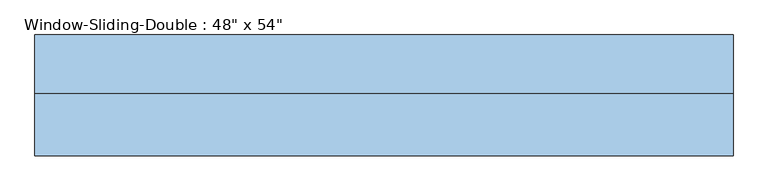
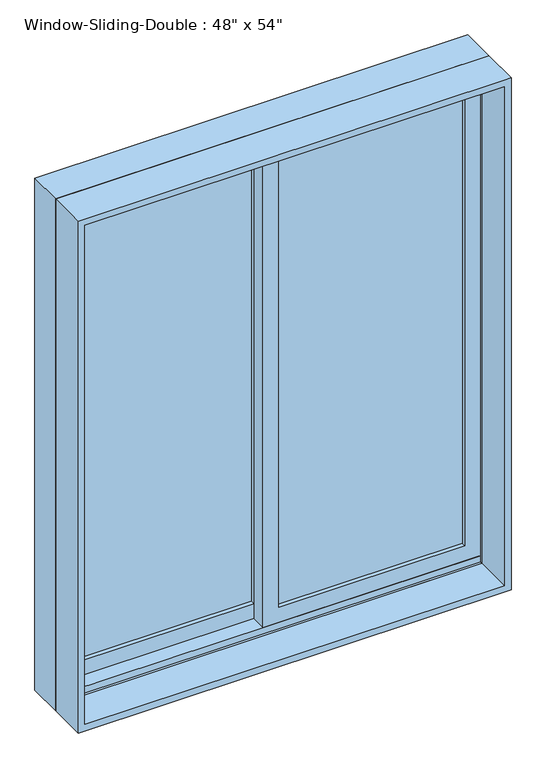
"""IFC4 building model written with IfcOpenShell, lengths in millimetres: window geometry."""

from ifc_helpers import new_model, si_unit, frame, origin, place, context, project, spatial, polyline, outline, extrude, faceted_brep, source, transform, mapped, element, save


def window_a64b641d(model_context):
    return source(origin(), model_context, "Body", "SolidModel", [
        faceted_brep([(-609.6, 9.68375, 914.4), (-609.6, 111.28375, 914.4), (609.6, 111.28375, 914.4), (609.6, 9.68375, 914.4), (-568.6778905, 111.28375, 2397.4778905), (-568.6778905, 104.93375, 2397.4778905), (-568.6778905, 104.93375, 933.45), (-568.6778905, 111.28375, 933.45), (568.6778905, 104.93375, 2397.4778905), (568.6778905, 104.93375, 933.45), (590.55, 104.93375, 933.45), (590.55, 104.93375, 2419.35), (-590.55, 104.93375, 2419.35), (-590.55, 104.93375, 933.45), (-590.55, 9.68375, 2419.35), (-590.55, 9.68375, 933.45), (-590.55, 16.03375, 933.45), (-590.55, 16.03375, 952.5), (-590.55, 60.48375, 952.5), (-590.55, 60.48375, 933.45), (609.6, 9.68375, 2438.4), (-609.6, 9.68375, 2438.4), (590.55, 9.68375, 2419.35), (590.55, 9.68375, 933.45), (-609.6, 111.28375, 2438.4), (609.6, 111.28375, 2438.4), (568.6778905, 111.28375, 933.45), (568.6778905, 111.28375, 2397.4778905), (590.55, 60.48375, 933.45), (590.55, 60.48375, 952.5), (590.55, 16.03375, 952.5), (590.55, 16.03375, 933.45)], [[[0, 1, 2, 3]], [[4, 5, 6, 7]], [[5, 8, 9, 10, 11, 12, 13, 6]], [[12, 14, 15, 16, 17, 18, 19, 13]], [[0, 3, 20, 21], [22, 23, 15, 14]], [[24, 1, 0, 21]], [[2, 1, 24, 25], [4, 7, 26, 27]], [[5, 4, 27, 8]], [[12, 11, 22, 14]], [[21, 20, 25, 24]], [[8, 27, 26, 9]], [[22, 11, 10, 28, 29, 30, 31, 23]], [[20, 3, 2, 25]], [[26, 7, 6, 13, 19, 28, 10, 9]], [[28, 19, 18, 29]], [[29, 18, 17, 30]], [[30, 17, 16, 31]], [[15, 23, 31, 16]]]),
        extrude(outline(polyline([(2438.4, -609.6), (914.4, -609.6), (914.4, 609.6), (2438.4, 609.6), (2438.4, -609.6)]), holes=[polyline([(2419.35, 590.55), (933.45, 590.55), (933.45, -590.55), (2419.35, -590.55), (2419.35, 590.55)])]), frame((0.0, -99.85375, 0.0), z_axis=(0.0, 1.0, 0.0), x_axis=(0.0, 0.0, 1.0)), (0.0, 0.0, 1.0), 109.5375),
        extrude(outline(polyline([(546.1, 47.78375), (546.1, 41.43375), (22.225, 41.43375), (22.225, 47.78375), (546.1, 47.78375)])), frame((0.0, 0.0, 996.95), z_axis=(0.0, 0.0, 1.0), x_axis=(1.0, 0.0, 0.0)), (0.0, 0.0, 1.0), 1377.95),
        extrude(outline(polyline([(546.1, 35.08375), (546.1, 28.73375), (22.225, 28.73375), (22.225, 35.08375), (546.1, 35.08375)])), frame((0.0, 0.0, 996.95), z_axis=(0.0, 0.0, 1.0), x_axis=(1.0, 0.0, 0.0)), (0.0, 0.0, 1.0), 1377.95),
        extrude(outline(polyline([(-22.225, 92.23375), (-22.225, 85.88375), (-546.1, 85.88375), (-546.1, 92.23375), (-22.225, 92.23375)])), frame((0.0, 0.0, 996.95), z_axis=(0.0, 0.0, 1.0), x_axis=(1.0, 0.0, 0.0)), (0.0, 0.0, 1.0), 1377.95),
        extrude(outline(polyline([(-22.225, 79.53375), (-22.225, 73.18375), (-546.1, 73.18375), (-546.1, 79.53375), (-22.225, 79.53375)])), frame((0.0, 0.0, 996.95), z_axis=(0.0, 0.0, 1.0), x_axis=(1.0, 0.0, 0.0)), (0.0, 0.0, 1.0), 1377.95),
        extrude(outline(polyline([(933.45, -590.55), (933.45, 22.225), (2419.35, 22.225), (2419.35, -590.55), (933.45, -590.55)]), holes=[polyline([(2374.9, -22.225), (996.95, -22.225), (996.95, -546.1), (2374.9, -546.1), (2374.9, -22.225)])]), frame((0.0, 60.48375, 0.0), z_axis=(0.0, 1.0, 0.0), x_axis=(0.0, 0.0, 1.0)), (0.0, 0.0, 1.0), 44.45),
        extrude(outline(polyline([(952.5, 590.55), (2419.35, 590.55), (2419.35, -22.225), (952.5, -22.225), (952.5, 590.55)]), holes=[polyline([(996.95, 22.225), (2374.9, 22.225), (2374.9, 546.1), (996.95, 546.1), (996.95, 22.225)])]), frame((0.0, 16.03375, 0.0), z_axis=(0.0, 1.0, 0.0), x_axis=(0.0, 0.0, 1.0)), (0.0, 0.0, 1.0), 44.45),
    ])


if __name__ == "__main__":
    model = new_model("IFC4")
    model_context = context("Model", 3, world=origin())
    ifc_project = project(units=[si_unit("LENGTHUNIT", "METRE", prefix="MILLI")], contexts=[model_context])
    site = spatial("IfcSite", under=ifc_project)
    building = spatial("IfcBuilding", under=site)
    placement = place(None, origin())
    window_shape = window_a64b641d(model_context)
    element("IfcWindow", 1, ObjectType="Window-Sliding-Double : 48\" x 54\"", at=placement, inside=building, context=model_context, shape_type="MappedRepresentation", body=[
        mapped(window_shape, transform((0.0, 0.0, 0.0), x_axis=(1.0, 0.0, 0.0), y_axis=(0.0, 1.0, 0.0), z_axis=(0.0, 0.0, 1.0))),
    ])
    save(model, "model.ifc")
